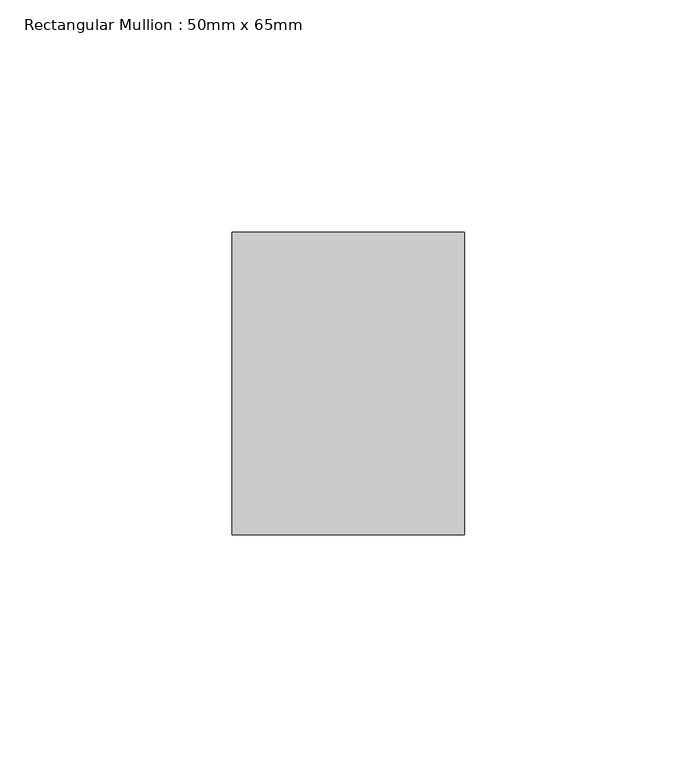
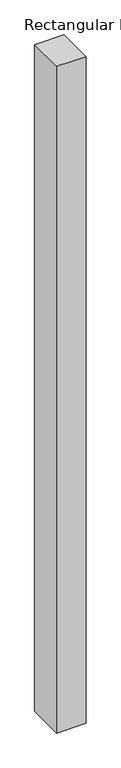
"""IFC4 building model written with IfcOpenShell, lengths in millimetres: member geometry, Rectangular Mullion : 50mm x 65mm."""

from ifc_helpers import new_model, si_unit, frame, origin, place, context, project, spatial, polyline, outline, extrude, source, transform, mapped, element, save


def rectangular_mullion_50mm_x_65mm_e7a01d52(model_context):
    return source(origin(), model_context, "Body", "SweptSolid", [
        extrude(outline(polyline([(25.0, 32.5), (25.0, -32.5), (-25.0, -32.5), (-25.0, 32.5), (25.0, 32.5)])), frame((0.0, 0.0, -1205.1798919), z_axis=(0.0, 0.0, 1.0), x_axis=(1.0, 0.0, 0.0)), (0.0, 0.0, 1.0), 1205.1798919),
    ])


if __name__ == "__main__":
    model = new_model("IFC4")
    model_context = context("Model", 3, world=origin())
    ifc_project = project(units=[si_unit("LENGTHUNIT", "METRE", prefix="MILLI")], contexts=[model_context])
    site = spatial("IfcSite", under=ifc_project)
    building = spatial("IfcBuilding", under=site)
    placement = place(None, origin())
    rectangular_mullion_50mm_x_65mm_shape = rectangular_mullion_50mm_x_65mm_e7a01d52(model_context)
    element("IfcMember", 1, ObjectType="Rectangular Mullion : 50mm x 65mm", at=placement, inside=building, context=model_context, shape_type="MappedRepresentation", body=[
        mapped(rectangular_mullion_50mm_x_65mm_shape, transform((0.0, 0.0, 0.0), x_axis=(1.0, 0.0, 0.0), y_axis=(0.0, 1.0, 0.0), z_axis=(0.0, 0.0, 1.0))),
    ])
    save(model, "model.ifc")
